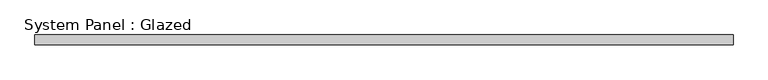
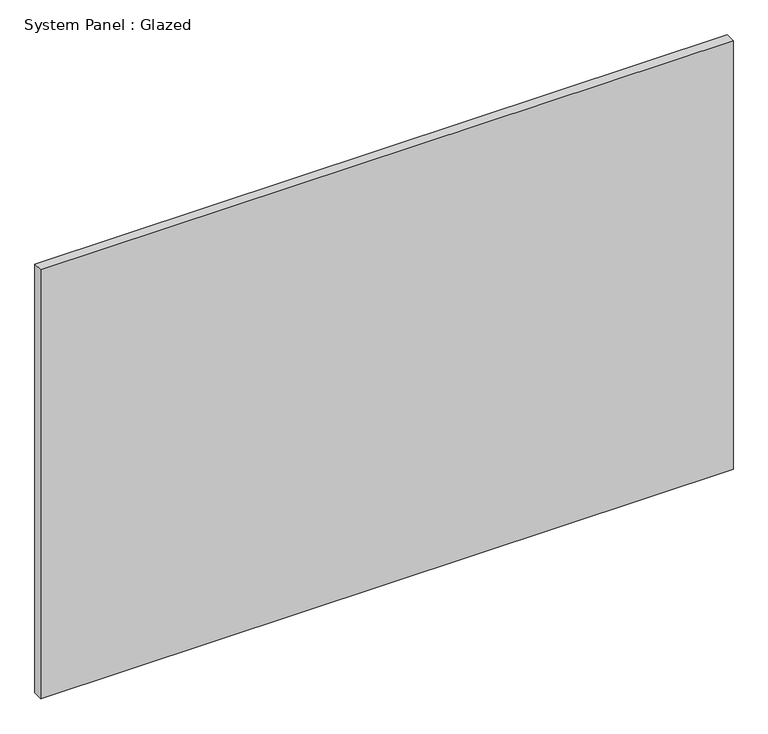
"""IFC4 building model written with IfcOpenShell, lengths in millimetres: plate geometry, System Panel : Glazed."""

from ifc_helpers import new_model, si_unit, origin, origin_with_axes, place, context, project, spatial, polyline, outline, extrude, source, transform, mapped, element, save


def system_panel_glazed_e7e4f10c(model_context):
    return source(origin(), model_context, "Body", "SweptSolid", [
        extrude(outline(polyline([(882.65, 19.05), (-882.65, 19.05), (-882.65, 44.45), (882.65, 44.45), (882.65, 19.05)])), origin_with_axes(), (0.0, 0.0, 1.0), 1155.7),
    ])


if __name__ == "__main__":
    model = new_model("IFC4")
    model_context = context("Model", 3, world=origin())
    ifc_project = project(units=[si_unit("LENGTHUNIT", "METRE", prefix="MILLI")], contexts=[model_context])
    site = spatial("IfcSite", under=ifc_project)
    building = spatial("IfcBuilding", under=site)
    placement = place(None, origin())
    system_panel_glazed_shape = system_panel_glazed_e7e4f10c(model_context)
    element("IfcPlate", 1, ObjectType="System Panel : Glazed", at=placement, inside=building, context=model_context, shape_type="MappedRepresentation", body=[
        mapped(system_panel_glazed_shape, transform((0.0, 0.0, 0.0), x_axis=(1.0, 0.0, 0.0), y_axis=(0.0, 1.0, 0.0), z_axis=(0.0, 0.0, 1.0))),
    ])
    save(model, "model.ifc")
